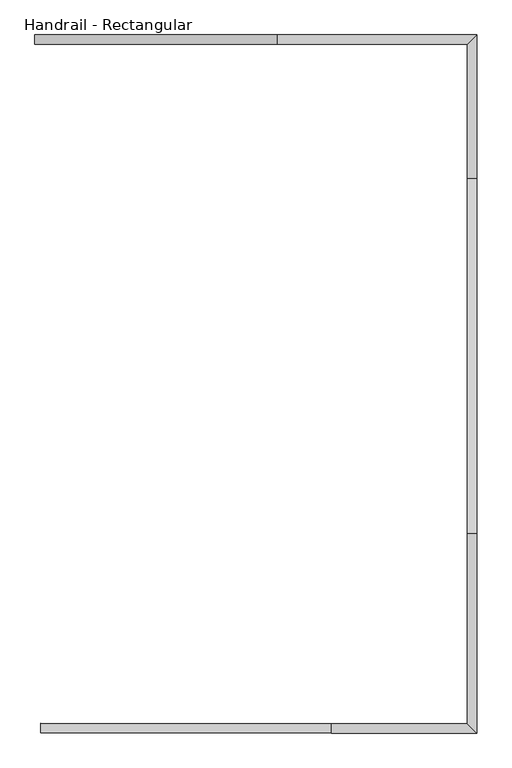
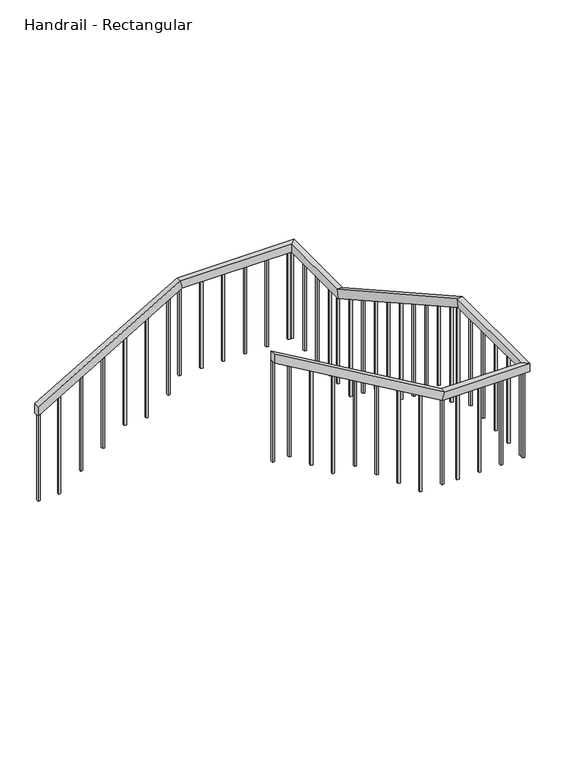
"""IFC4 building model written with IfcOpenShell, lengths in millimetres: railing geometry, Handrail - Rectangular."""

from ifc_helpers import new_model, si_unit, frame, origin, place, context, project, spatial, polyline, outline, extrude, faceted_brep, source, transform, mapped, element, save


def handrail_rectangular_d0611311(model_context):
    return source(origin(), model_context, "Body", "SolidModel", [
        faceted_brep([(1234.6563517, 4487.8830185, 1216.5052632), (1234.6563517, 4487.8830185, 1128.2234052), (1234.6563517, 4437.0830185, 1128.2234052), (1234.6563517, 4437.0830185, 1216.5052632), (2534.6563517, 4487.8830185, 1977.0315789), (2555.3083858, 4487.8830185, 1900.8315789), (2555.3083858, 4437.0830185, 1900.8315789), (2534.6563517, 4437.0830185, 1977.0315789), (3606.4063517, 4487.8830185, 1977.0315789), (3606.4063517, 4487.8830185, 1900.8315789), (3555.6063517, 4437.0830185, 1900.8315789), (3555.6063517, 4437.0830185, 1977.0315789), (3606.4063517, 3719.6625471, 1977.0315789), (3606.4063517, 3699.7896639, 1900.8315789), (3555.6063517, 3699.7896639, 1900.8315789), (3555.6063517, 3719.6625471, 1977.0315789), (3606.4063517, 1817.2058469, 3041.7684211), (3606.4063517, 1797.3329637, 2965.5684211), (3555.6063517, 1797.3329637, 2965.5684211), (3555.6063517, 1817.2058469, 3041.7684211), (3606.4063517, 745.4558469, 3041.7684211), (3606.4063517, 745.4558469, 2965.5684211), (3555.6063517, 796.2558469, 2965.5684211), (3555.6063517, 796.2558469, 3041.7684211), (2826.4063517, 745.4558469, 3041.7684211), (2805.7543176, 745.4558469, 2965.5684211), (2805.7543176, 796.2558469, 2965.5684211), (2826.4063517, 796.2558469, 3041.7684211), (1266.4063517, 745.4558469, 3954.4), (1266.4063517, 796.2558469, 3954.4), (1266.4063517, 796.2558469, 3866.118142), (1266.4063517, 745.4558469, 3866.118142)], [[[0, 1, 2, 3]], [[1, 0, 4, 5]], [[2, 1, 5, 6]], [[3, 2, 6, 7]], [[0, 3, 7, 4]], [[5, 4, 8, 9]], [[6, 5, 9, 10]], [[7, 6, 10, 11]], [[4, 7, 11, 8]], [[9, 8, 12, 13]], [[10, 9, 13, 14]], [[11, 10, 14, 15]], [[8, 11, 15, 12]], [[13, 12, 16, 17]], [[14, 13, 17, 18]], [[15, 14, 18, 19]], [[12, 15, 19, 16]], [[17, 16, 20, 21]], [[18, 17, 21, 22]], [[19, 18, 22, 23]], [[16, 19, 23, 20]], [[21, 20, 24, 25]], [[22, 21, 25, 26]], [[23, 22, 26, 27]], [[20, 23, 27, 24]], [[28, 29, 30, 31]], [[25, 24, 28, 31]], [[26, 25, 31, 30]], [[27, 26, 30, 29]], [[24, 27, 29, 28]]]),
        extrude(outline(polyline([(3778.0872209, 1416.8813517), (2887.8947368, 1416.8813517), (2887.8947368, 1435.9313517), (3766.9425853, 1435.9313517), (3778.0872209, 1416.8813517)])), frame((0.0, 775.9308469, 0.0), z_axis=(0.0, 1.0, 0.0), x_axis=(0.0, 0.0, 1.0)), (0.0, 0.0, 1.0), 19.05),
        extrude(outline(polyline([(3661.0831724, 1616.8813517), (2735.7894737, 1616.8813517), (2735.7894737, 1635.9313517), (3649.9385367, 1635.9313517), (3661.0831724, 1616.8813517)])), frame((0.0, 775.9308469, 0.0), z_axis=(0.0, 1.0, 0.0), x_axis=(0.0, 0.0, 1.0)), (0.0, 0.0, 1.0), 19.05),
        extrude(outline(polyline([(3544.0791238, 1816.8813517), (2583.6842105, 1816.8813517), (2583.6842105, 1835.9313517), (3532.9344882, 1835.9313517), (3544.0791238, 1816.8813517)])), frame((0.0, 775.9308469, 0.0), z_axis=(0.0, 1.0, 0.0), x_axis=(0.0, 0.0, 1.0)), (0.0, 0.0, 1.0), 19.05),
        extrude(outline(polyline([(3427.0750752, 2016.8813517), (2583.6842105, 2016.8813517), (2583.6842105, 2035.9313517), (3415.9304396, 2035.9313517), (3427.0750752, 2016.8813517)])), frame((0.0, 775.9308469, 0.0), z_axis=(0.0, 1.0, 0.0), x_axis=(0.0, 0.0, 1.0)), (0.0, 0.0, 1.0), 19.05),
        extrude(outline(polyline([(3310.0710266, 2216.8813517), (2431.5789474, 2216.8813517), (2431.5789474, 2235.9313517), (3298.926391, 2235.9313517), (3310.0710266, 2216.8813517)])), frame((0.0, 775.9308469, 0.0), z_axis=(0.0, 1.0, 0.0), x_axis=(0.0, 0.0, 1.0)), (0.0, 0.0, 1.0), 19.05),
        extrude(outline(polyline([(3193.066978, 2416.8813517), (2279.4736842, 2416.8813517), (2279.4736842, 2435.9313517), (3181.9223424, 2435.9313517), (3193.066978, 2416.8813517)])), frame((0.0, 775.9308469, 0.0), z_axis=(0.0, 1.0, 0.0), x_axis=(0.0, 0.0, 1.0)), (0.0, 0.0, 1.0), 19.05),
        extrude(outline(polyline([(3076.0629294, 2616.8813517), (2127.3684211, 2616.8813517), (2127.3684211, 2635.9313517), (3064.9182938, 2635.9313517), (3076.0629294, 2616.8813517)])), frame((0.0, 775.9308469, 0.0), z_axis=(0.0, 1.0, 0.0), x_axis=(0.0, 0.0, 1.0)), (0.0, 0.0, 1.0), 19.05),
        extrude(outline(polyline([(2975.9313517, 775.9308469), (2956.8813517, 775.9308469), (2956.8813517, 794.9808469), (2975.9313517, 794.9808469), (2975.9313517, 775.9308469)])), frame((0.0, 0.0, 2127.3684211), z_axis=(0.0, 0.0, 1.0), x_axis=(1.0, 0.0, 0.0)), (0.0, 0.0, 1.0), 838.2),
        extrude(outline(polyline([(3175.9313517, 775.9308469), (3156.8813517, 775.9308469), (3156.8813517, 794.9808469), (3175.9313517, 794.9808469), (3175.9313517, 775.9308469)])), frame((0.0, 0.0, 2127.3684211), z_axis=(0.0, 0.0, 1.0), x_axis=(1.0, 0.0, 0.0)), (0.0, 0.0, 1.0), 838.2),
        extrude(outline(polyline([(3375.9313517, 775.9308469), (3356.8813517, 775.9308469), (3356.8813517, 794.9808469), (3375.9313517, 794.9808469), (3375.9313517, 775.9308469)])), frame((0.0, 0.0, 2127.3684211), z_axis=(0.0, 0.0, 1.0), x_axis=(1.0, 0.0, 0.0)), (0.0, 0.0, 1.0), 838.2),
        extrude(outline(polyline([(3575.9313517, 826.7308469), (3575.9313517, 807.6808469), (3556.8813517, 807.6808469), (3556.8813517, 826.7308469), (3575.9313517, 826.7308469)])), frame((0.0, 0.0, 2127.3684211), z_axis=(0.0, 0.0, 1.0), x_axis=(1.0, 0.0, 0.0)), (0.0, 0.0, 1.0), 838.2),
        extrude(outline(polyline([(3575.9313517, 1026.7308469), (3575.9313517, 1007.6808469), (3556.8813517, 1007.6808469), (3556.8813517, 1026.7308469), (3575.9313517, 1026.7308469)])), frame((0.0, 0.0, 2127.3684211), z_axis=(0.0, 0.0, 1.0), x_axis=(1.0, 0.0, 0.0)), (0.0, 0.0, 1.0), 838.2),
        extrude(outline(polyline([(3575.9313517, 1226.7308469), (3575.9313517, 1207.6808469), (3556.8813517, 1207.6808469), (3556.8813517, 1226.7308469), (3575.9313517, 1226.7308469)])), frame((0.0, 0.0, 2127.3684211), z_axis=(0.0, 0.0, 1.0), x_axis=(1.0, 0.0, 0.0)), (0.0, 0.0, 1.0), 838.2),
        extrude(outline(polyline([(3575.9313517, 1426.7308469), (3575.9313517, 1407.6808469), (3556.8813517, 1407.6808469), (3556.8813517, 1426.7308469), (3575.9313517, 1426.7308469)])), frame((0.0, 0.0, 2127.3684211), z_axis=(0.0, 0.0, 1.0), x_axis=(1.0, 0.0, 0.0)), (0.0, 0.0, 1.0), 838.2),
        extrude(outline(polyline([(3575.9313517, 1626.7308469), (3575.9313517, 1607.6808469), (3556.8813517, 1607.6808469), (3556.8813517, 1626.7308469), (3575.9313517, 1626.7308469)])), frame((0.0, 0.0, 2127.3684211), z_axis=(0.0, 0.0, 1.0), x_axis=(1.0, 0.0, 0.0)), (0.0, 0.0, 1.0), 838.2),
        extrude(outline(polyline([(1929.1875471, 2891.7741356), (1929.1875471, 1975.2631579), (1910.1375471, 1975.2631579), (1910.1375471, 2902.435738), (1929.1875471, 2891.7741356)])), frame((3556.8813517, 0.0, 0.0), z_axis=(1.0, 0.0, 0.0), x_axis=(0.0, 1.0, 0.0)), (0.0, 0.0, 1.0), 19.05),
        extrude(outline(polyline([(2129.1875471, 2779.8413024), (2129.1875471, 2008.6089545), (2110.1375471, 2019.2705568), (2110.1375471, 2790.5029048), (2129.1875471, 2779.8413024)])), frame((3556.8813517, 0.0, 0.0), z_axis=(1.0, 0.0, 0.0), x_axis=(0.0, 1.0, 0.0)), (0.0, 0.0, 1.0), 19.05),
        extrude(outline(polyline([(2329.1875471, 2667.9084693), (2329.1875471, 1823.1578947), (2310.1375471, 1823.1578947), (2310.1375471, 2678.5700716), (2329.1875471, 2667.9084693)])), frame((3556.8813517, 0.0, 0.0), z_axis=(1.0, 0.0, 0.0), x_axis=(0.0, 1.0, 0.0)), (0.0, 0.0, 1.0), 19.05),
        extrude(outline(polyline([(2529.1875471, 2555.9756361), (2529.1875471, 1671.0526316), (2510.1375471, 1671.0526316), (2510.1375471, 2566.6372385), (2529.1875471, 2555.9756361)])), frame((3556.8813517, 0.0, 0.0), z_axis=(1.0, 0.0, 0.0), x_axis=(0.0, 1.0, 0.0)), (0.0, 0.0, 1.0), 19.05),
        extrude(outline(polyline([(2729.1875471, 2444.042803), (2729.1875471, 1518.9473684), (2710.1375471, 1518.9473684), (2710.1375471, 2454.7044053), (2729.1875471, 2444.042803)])), frame((3556.8813517, 0.0, 0.0), z_axis=(1.0, 0.0, 0.0), x_axis=(0.0, 1.0, 0.0)), (0.0, 0.0, 1.0), 19.05),
        extrude(outline(polyline([(2929.1875471, 2332.1099698), (2929.1875471, 1560.8776219), (2910.1375471, 1571.5392242), (2910.1375471, 2342.7715722), (2929.1875471, 2332.1099698)])), frame((3556.8813517, 0.0, 0.0), z_axis=(1.0, 0.0, 0.0), x_axis=(0.0, 1.0, 0.0)), (0.0, 0.0, 1.0), 19.05),
        extrude(outline(polyline([(3129.1875471, 2220.1771367), (3129.1875471, 1366.8421053), (3110.1375471, 1366.8421053), (3110.1375471, 2230.838739), (3129.1875471, 2220.1771367)])), frame((3556.8813517, 0.0, 0.0), z_axis=(1.0, 0.0, 0.0), x_axis=(0.0, 1.0, 0.0)), (0.0, 0.0, 1.0), 19.05),
        extrude(outline(polyline([(3329.1875471, 2108.2443035), (3329.1875471, 1214.7368421), (3310.1375471, 1214.7368421), (3310.1375471, 2118.9059059), (3329.1875471, 2108.2443035)])), frame((3556.8813517, 0.0, 0.0), z_axis=(1.0, 0.0, 0.0), x_axis=(0.0, 1.0, 0.0)), (0.0, 0.0, 1.0), 19.05),
        extrude(outline(polyline([(3529.1875471, 1996.3114703), (3529.1875471, 1062.6315789), (3510.1375471, 1062.6315789), (3510.1375471, 2006.9730727), (3529.1875471, 1996.3114703)])), frame((3556.8813517, 0.0, 0.0), z_axis=(1.0, 0.0, 0.0), x_axis=(0.0, 1.0, 0.0)), (0.0, 0.0, 1.0), 19.05),
        extrude(outline(polyline([(3575.9313517, 3857.4080185), (3575.9313517, 3838.3580185), (3556.8813517, 3838.3580185), (3556.8813517, 3857.4080185), (3575.9313517, 3857.4080185)])), frame((0.0, 0.0, 1062.6315789), z_axis=(0.0, 0.0, 1.0), x_axis=(1.0, 0.0, 0.0)), (0.0, 0.0, 1.0), 838.2),
        extrude(outline(polyline([(3575.9313517, 4057.4080185), (3575.9313517, 4038.3580185), (3556.8813517, 4038.3580185), (3556.8813517, 4057.4080185), (3575.9313517, 4057.4080185)])), frame((0.0, 0.0, 1062.6315789), z_axis=(0.0, 0.0, 1.0), x_axis=(1.0, 0.0, 0.0)), (0.0, 0.0, 1.0), 838.2),
        extrude(outline(polyline([(3575.9313517, 4257.4080185), (3575.9313517, 4238.3580185), (3556.8813517, 4238.3580185), (3556.8813517, 4257.4080185), (3575.9313517, 4257.4080185)])), frame((0.0, 0.0, 1062.6315789), z_axis=(0.0, 0.0, 1.0), x_axis=(1.0, 0.0, 0.0)), (0.0, 0.0, 1.0), 838.2),
        extrude(outline(polyline([(3525.1313517, 4457.4080185), (3544.1813517, 4457.4080185), (3544.1813517, 4438.3580185), (3525.1313517, 4438.3580185), (3525.1313517, 4457.4080185)])), frame((0.0, 0.0, 1062.6315789), z_axis=(0.0, 0.0, 1.0), x_axis=(1.0, 0.0, 0.0)), (0.0, 0.0, 1.0), 838.2),
        extrude(outline(polyline([(3325.1313517, 4457.4080185), (3344.1813517, 4457.4080185), (3344.1813517, 4438.3580185), (3325.1313517, 4438.3580185), (3325.1313517, 4457.4080185)])), frame((0.0, 0.0, 1062.6315789), z_axis=(0.0, 0.0, 1.0), x_axis=(1.0, 0.0, 0.0)), (0.0, 0.0, 1.0), 838.2),
        extrude(outline(polyline([(3125.1313517, 4457.4080185), (3144.1813517, 4457.4080185), (3144.1813517, 4438.3580185), (3125.1313517, 4438.3580185), (3125.1313517, 4457.4080185)])), frame((0.0, 0.0, 1062.6315789), z_axis=(0.0, 0.0, 1.0), x_axis=(1.0, 0.0, 0.0)), (0.0, 0.0, 1.0), 838.2),
        extrude(outline(polyline([(2925.1313517, 4457.4080185), (2944.1813517, 4457.4080185), (2944.1813517, 4438.3580185), (2925.1313517, 4438.3580185), (2925.1313517, 4457.4080185)])), frame((0.0, 0.0, 1062.6315789), z_axis=(0.0, 0.0, 1.0), x_axis=(1.0, 0.0, 0.0)), (0.0, 0.0, 1.0), 838.2),
        extrude(outline(polyline([(2725.1313517, 4457.4080185), (2744.1813517, 4457.4080185), (2744.1813517, 4438.3580185), (2725.1313517, 4438.3580185), (2725.1313517, 4457.4080185)])), frame((0.0, 0.0, 1062.6315789), z_axis=(0.0, 0.0, 1.0), x_axis=(1.0, 0.0, 0.0)), (0.0, 0.0, 1.0), 838.2),
        extrude(outline(polyline([(1824.6753788, 2425.1313517), (910.5263158, 2425.1313517), (910.5263158, 2444.1813517), (1835.8200145, 2444.1813517), (1824.6753788, 2425.1313517)])), frame((0.0, 4438.3580185, 0.0), z_axis=(0.0, 1.0, 0.0), x_axis=(0.0, 0.0, 1.0)), (0.0, 0.0, 1.0), 19.05),
        extrude(outline(polyline([(1707.6713303, 2225.1313517), (758.4210526, 2225.1313517), (758.4210526, 2244.1813517), (1718.8159659, 2244.1813517), (1707.6713303, 2225.1313517)])), frame((0.0, 4438.3580185, 0.0), z_axis=(0.0, 1.0, 0.0), x_axis=(0.0, 0.0, 1.0)), (0.0, 0.0, 1.0), 19.05),
        extrude(outline(polyline([(1590.6672817, 2025.1313517), (758.4210526, 2025.1313517), (758.4210526, 2044.1813517), (1601.8119173, 2044.1813517), (1590.6672817, 2025.1313517)])), frame((0.0, 4438.3580185, 0.0), z_axis=(0.0, 1.0, 0.0), x_axis=(0.0, 0.0, 1.0)), (0.0, 0.0, 1.0), 19.05),
        extrude(outline(polyline([(1473.6632331, 1825.1313517), (606.3157895, 1825.1313517), (606.3157895, 1844.1813517), (1484.8078687, 1844.1813517), (1473.6632331, 1825.1313517)])), frame((0.0, 4438.3580185, 0.0), z_axis=(0.0, 1.0, 0.0), x_axis=(0.0, 0.0, 1.0)), (0.0, 0.0, 1.0), 19.05),
        extrude(outline(polyline([(1356.6591845, 1625.1313517), (454.2105263, 1625.1313517), (454.2105263, 1644.1813517), (1367.8038201, 1644.1813517), (1356.6591845, 1625.1313517)])), frame((0.0, 4438.3580185, 0.0), z_axis=(0.0, 1.0, 0.0), x_axis=(0.0, 0.0, 1.0)), (0.0, 0.0, 1.0), 19.05),
        extrude(outline(polyline([(1239.6551359, 1425.1313517), (302.1052632, 1425.1313517), (302.1052632, 1444.1813517), (1250.7997716, 1444.1813517), (1239.6551359, 1425.1313517)])), frame((0.0, 4438.3580185, 0.0), z_axis=(0.0, 1.0, 0.0), x_axis=(0.0, 0.0, 1.0)), (0.0, 0.0, 1.0), 19.05),
        extrude(outline(polyline([(2835.9313517, 775.9308469), (2816.8813517, 775.9308469), (2816.8813517, 794.9808469), (2835.9313517, 794.9808469), (2835.9313517, 775.9308469)])), frame((0.0, 0.0, 2127.3684211), z_axis=(0.0, 0.0, 1.0), x_axis=(1.0, 0.0, 0.0)), (0.0, 0.0, 1.0), 838.2),
        extrude(outline(polyline([(3575.9313517, 794.9808469), (3575.9313517, 775.9308469), (3556.8813517, 775.9308469), (3556.8813517, 794.9808469), (3575.9313517, 794.9808469)])), frame((0.0, 0.0, 2127.3684211), z_axis=(0.0, 0.0, 1.0), x_axis=(1.0, 0.0, 0.0)), (0.0, 0.0, 1.0), 838.2),
        extrude(outline(polyline([(1826.7308469, 2949.1154793), (1826.7308469, 2127.3684211), (1807.6808469, 2127.3684211), (1807.6808469, 2959.7770816), (1826.7308469, 2949.1154793)])), frame((3556.8813517, 0.0, 0.0), z_axis=(1.0, 0.0, 0.0), x_axis=(0.0, 1.0, 0.0)), (0.0, 0.0, 1.0), 19.05),
        extrude(outline(polyline([(3729.1875471, 1884.3786372), (3729.1875471, 1062.6315789), (3710.1375471, 1062.6315789), (3710.1375471, 1895.0402395), (3729.1875471, 1884.3786372)])), frame((3556.8813517, 0.0, 0.0), z_axis=(1.0, 0.0, 0.0), x_axis=(0.0, 1.0, 0.0)), (0.0, 0.0, 1.0), 19.05),
        extrude(outline(polyline([(3556.8813517, 4457.4080185), (3575.9313517, 4457.4080185), (3575.9313517, 4438.3580185), (3556.8813517, 4438.3580185), (3556.8813517, 4457.4080185)])), frame((0.0, 0.0, 1062.6315789), z_axis=(0.0, 0.0, 1.0), x_axis=(1.0, 0.0, 0.0)), (0.0, 0.0, 1.0), 838.2),
        extrude(outline(polyline([(1883.1774031, 2525.1313517), (1062.6315789, 2525.1313517), (1062.6315789, 2544.1813517), (1894.3220388, 2544.1813517), (1883.1774031, 2525.1313517)])), frame((0.0, 4438.3580185, 0.0), z_axis=(0.0, 1.0, 0.0), x_axis=(0.0, 0.0, 1.0)), (0.0, 0.0, 1.0), 19.05),
        extrude(outline(polyline([(3866.118142, 1266.3813517), (2887.8947368, 1266.3813517), (2887.8947368, 1285.4313517), (3854.9735064, 1285.4313517), (3866.118142, 1266.3813517)])), frame((0.0, 775.9308469, 0.0), z_axis=(0.0, 1.0, 0.0), x_axis=(0.0, 0.0, 1.0)), (0.0, 0.0, 1.0), 19.05),
        extrude(outline(polyline([(1128.2234052, 1234.6313517), (302.1052632, 1234.6313517), (302.1052632, 1253.6813517), (1139.3680408, 1253.6813517), (1128.2234052, 1234.6313517)])), frame((0.0, 4438.3580185, 0.0), z_axis=(0.0, 1.0, 0.0), x_axis=(0.0, 0.0, 1.0)), (0.0, 0.0, 1.0), 19.05),
    ])


if __name__ == "__main__":
    model = new_model("IFC4")
    model_context = context("Model", 3, world=origin())
    ifc_project = project(units=[si_unit("LENGTHUNIT", "METRE", prefix="MILLI")], contexts=[model_context])
    site = spatial("IfcSite", under=ifc_project)
    building = spatial("IfcBuilding", under=site)
    placement = place(None, origin())
    handrail_rectangular_shape = handrail_rectangular_d0611311(model_context)
    element("IfcRailing", 1, ObjectType="Handrail - Rectangular", at=placement, inside=building, context=model_context, shape_type="MappedRepresentation", body=[
        mapped(handrail_rectangular_shape, transform((0.0, 0.0, 0.0), x_axis=(1.0, 0.0, 0.0), y_axis=(0.0, 1.0, 0.0), z_axis=(0.0, 0.0, 1.0))),
    ])
    save(model, "model.ifc")
